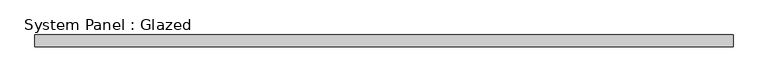
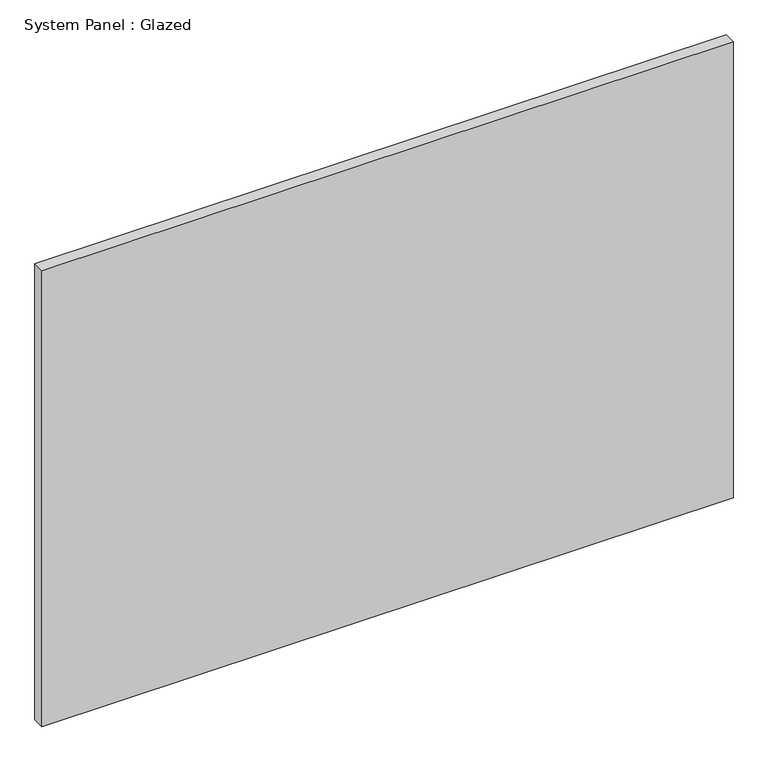
"""IFC4 building model written with IfcOpenShell, lengths in millimetres: plate geometry, System Panel : Glazed."""

import ifcopenshell
import ifcopenshell.guid

model = None  # the IFC model being written
_history = None  # IfcOwnerHistory: only IFC2X3 demands one
_inside = {}  # id of a spatial element -> (the spatial element, [elements in it])
_under = {}  # id of a project, library or spatial element -> (it, [spatial elements below it])
_declared = {}  # id of a project -> (the project, [libraries it declares])
_typed = {}  # id of a type object -> (the type object, [elements of that type])
_made_of = {}  # id of a material, layer set ... -> (it, [elements and type objects made of it])


def new_model(schema):
    """Start an empty IFC model of exactly this schema.

    Asked for "IFC4X3", IfcOpenShell would pick the latest addendum, in which some entities
    have other attributes; the version numbers below select the first issue.
    IFC2X3 requires an IfcOwnerHistory on every rooted entity: one is made here for all.
    """
    global model, _history
    if schema == "IFC4X3":
        model = ifcopenshell.file(schema_version=(4, 3, 0, 0))
    else:
        model = ifcopenshell.file(schema=schema)
    _inside.clear()
    _under.clear()
    _declared.clear()
    _typed.clear()
    _made_of.clear()
    _history = None
    if model.schema == "IFC2X3":
        org = make("IfcOrganization", Name="unknown")
        user = make(
            "IfcPersonAndOrganization",
            ThePerson=make("IfcPerson", FamilyName="unknown"),
            TheOrganization=org,
        )
        app = make(
            "IfcApplication",
            ApplicationDeveloper=org,
            Version="unknown",
            ApplicationFullName="unknown",
            ApplicationIdentifier="unknown",
        )
        _history = make(
            "IfcOwnerHistory",
            OwningUser=user,
            OwningApplication=app,
            ChangeAction="ADDED",
            CreationDate=0,
        )
    return model


def make(cls, **values):
    """One entity of the class cls with the attributes given. An attribute that is None is left unset."""
    return model.create_entity(
        cls, **{name: value for name, value in values.items() if value is not None}
    )


def rooted(cls, **values):
    """An entity with a GlobalId (a new one), such as an element, a storey or a relation."""
    return make(cls, GlobalId=ifcopenshell.guid.new(), OwnerHistory=_history, **values)


def si_unit(unit_type, name, prefix=None):
    """IfcSIUnit, for example si_unit("LENGTHUNIT", "METRE", prefix="MILLI")."""
    return make("IfcSIUnit", UnitType=unit_type, Prefix=prefix, Name=name)


def assignment(units):
    """IfcUnitAssignment: the units of a project."""
    return None if units is None else make("IfcUnitAssignment", Units=units)


def point(xyz):
    """IfcCartesianPoint."""
    return None if xyz is None else make("IfcCartesianPoint", Coordinates=xyz)


def direction(xyz):
    """IfcDirection."""
    return None if xyz is None else make("IfcDirection", DirectionRatios=xyz)


def frame(location, z_axis=None, x_axis=None):
    """IfcAxis2Placement3D, a coordinate frame: its origin and axes. An axis left out is left unset."""
    return make(
        "IfcAxis2Placement3D",
        Location=point(location),
        Axis=direction(z_axis),
        RefDirection=direction(x_axis),
    )


def origin():
    """The frame at (0, 0, 0) with its axes left unset."""
    return frame((0.0, 0.0, 0.0))


def origin_with_axes():
    """The frame at (0, 0, 0) with the z axis (0, 0, 1) and the x axis (1, 0, 0) written out."""
    return frame((0.0, 0.0, 0.0), z_axis=(0.0, 0.0, 1.0), x_axis=(1.0, 0.0, 0.0))


def place(relative_to, where):
    """IfcLocalPlacement: puts the frame where relative to a parent placement (None: the world)."""
    return make(
        "IfcLocalPlacement", PlacementRelTo=relative_to, RelativePlacement=where
    )


def context(
    kind, dimensions, precision=None, world=None, true_north=None, identifier=None
):
    """IfcGeometricRepresentationContext, for example the 3D "Model" context."""
    return make(
        "IfcGeometricRepresentationContext",
        ContextIdentifier=identifier,
        ContextType=kind,
        CoordinateSpaceDimension=dimensions,
        Precision=precision,
        WorldCoordinateSystem=world,
        TrueNorth=true_north,
    )


def project(units=None, contexts=None):
    """IfcProject with its units and contexts."""
    return rooted(
        "IfcProject",
        Name="project",
        RepresentationContexts=contexts,
        UnitsInContext=assignment(units),
    )


def spatial(cls, under=None, at=None, **own):
    """A site, building, storey or space (cls), placed at a placement, below another one or the project."""
    s = rooted(cls, ObjectPlacement=at, **own)
    if under is not None:
        _under.setdefault(under.id(), (under, []))[1].append(s)
    return s


def polyline(points):
    """IfcPolyline through the points."""
    return make("IfcPolyline", Points=[point(p) for p in points])


def outline(outer, holes=None, kind="AREA"):
    """IfcArbitraryClosedProfileDef: a profile drawn as a closed curve; with holes, ...WithVoids."""
    if holes is None:
        return make("IfcArbitraryClosedProfileDef", ProfileType=kind, OuterCurve=outer)
    return make(
        "IfcArbitraryProfileDefWithVoids",
        ProfileType=kind,
        OuterCurve=outer,
        InnerCurves=holes,
    )


def extrude(swept, where, along, depth):
    """IfcExtrudedAreaSolid: the profile swept, set in the frame where, extruded along a direction by depth."""
    return make(
        "IfcExtrudedAreaSolid",
        SweptArea=swept,
        Position=where,
        ExtrudedDirection=direction(along),
        Depth=depth,
    )


def shape(context_of_items, identifier, shape_type, items):
    """IfcShapeRepresentation: the items that make up one representation, for example the "Body"."""
    return make(
        "IfcShapeRepresentation",
        ContextOfItems=context_of_items,
        RepresentationIdentifier=identifier,
        RepresentationType=shape_type,
        Items=items,
    )


def source(mapping_origin, context_of_items, identifier, shape_type, items):
    """IfcRepresentationMap: a shape defined once, which mapped items show again and again."""
    return make(
        "IfcRepresentationMap",
        MappingOrigin=mapping_origin,
        MappedRepresentation=shape(context_of_items, identifier, shape_type, items),
    )


def transform(
    local_origin,
    x_axis=None,
    y_axis=None,
    z_axis=None,
    scale=None,
    scale2=None,
    scale3=None,
    uniform=True,
):
    """IfcCartesianTransformationOperator3D, or its non-uniform kind. x_axis, y_axis, z_axis: its Axis1, 2, 3."""
    if uniform:
        return make(
            "IfcCartesianTransformationOperator3D",
            Axis1=direction(x_axis),
            Axis2=direction(y_axis),
            LocalOrigin=point(local_origin),
            Scale=scale,
            Axis3=direction(z_axis),
        )
    return make(
        "IfcCartesianTransformationOperator3DnonUniform",
        Axis1=direction(x_axis),
        Axis2=direction(y_axis),
        LocalOrigin=point(local_origin),
        Scale=scale,
        Axis3=direction(z_axis),
        Scale2=scale2,
        Scale3=scale3,
    )


def mapped(mapping_source, mapping_target):
    """IfcMappedItem: shows the shape of a source again, moved by a transform."""
    return make(
        "IfcMappedItem", MappingSource=mapping_source, MappingTarget=mapping_target
    )


def made_of(thing, what):
    """Note that an element or type object is made of a material, layer set ...; save() writes the relation."""
    if what is not None:
        _made_of.setdefault(what.id(), (what, []))[1].append(thing)
    return thing


def element(
    cls,
    number,
    at=None,
    inside=None,
    cuts=None,
    type_object=None,
    material=None,
    context=None,
    identifier="Body",
    shape_type=None,
    held_by="IfcProductDefinitionShape",
    body=None,
    shapes=None,
    **own,
):
    """One element of the class cls, such as IfcWall. Its Tag is "e" and its number.

    at: its placement. inside: the storey or other place that contains it. cuts: it is an
    opening in that element (IfcRelVoidsElement). A single representation is given by context,
    identifier, shape_type and body (its items); several are given by shapes. held_by: the class
    of the entity that holds the representations. save() writes the other relations.
    """
    e = rooted(cls, Tag="e%d" % number, ObjectPlacement=at, **own)
    if body is not None:
        shapes = [shape(context, identifier, shape_type, body)]
    if shapes is not None:
        e.Representation = make(held_by, Representations=shapes)
    if inside is not None:
        _inside.setdefault(inside.id(), (inside, []))[1].append(e)
    if cuts is not None:
        rooted(
            "IfcRelVoidsElement", RelatingBuildingElement=cuts, RelatedOpeningElement=e
        )
    if type_object is not None:
        _typed.setdefault(type_object.id(), (type_object, []))[1].append(e)
    return made_of(e, material)


def aggregate(whole, parts):
    """IfcRelAggregates: a whole, such as a stair, and the parts it consists of."""
    return rooted("IfcRelAggregates", RelatingObject=whole, RelatedObjects=parts)


def save(model, path):
    """Write the relations noted so far, then the file.

    IfcRelAggregates (storeys below a building ...), IfcRelContainedInSpatialStructure (elements
    in a storey), IfcRelDefinesByType, IfcRelAssociatesMaterial and IfcRelDeclares: one each for
    every whole, place, type object, material and project.
    """
    for whole, parts in _under.values():
        aggregate(whole, parts)
    for where, things in _inside.values():
        rooted(
            "IfcRelContainedInSpatialStructure",
            RelatedElements=things,
            RelatingStructure=where,
        )
    for kind, things in _typed.values():
        rooted("IfcRelDefinesByType", RelatedObjects=things, RelatingType=kind)
    for what, things in _made_of.values():
        rooted("IfcRelAssociatesMaterial", RelatedObjects=things, RelatingMaterial=what)
    for by, libraries in _declared.values():
        rooted("IfcRelDeclares", RelatingContext=by, RelatedDefinitions=libraries)
    model.write(path)


def system_panel_glazed_29ddf511(model_context):
    return source(origin(), model_context, "Body", "SweptSolid", [
        extrude(outline(polyline([(734.9999999, 24.5), (-734.9999999, 24.5), (-734.9999999, 49.5), (734.9999999, 49.5), (734.9999999, 24.5)])), origin_with_axes(), (0.0, 0.0, 1.0), 1025.0),
    ])


if __name__ == "__main__":
    model = new_model("IFC4")
    model_context = context("Model", 3, world=origin())
    ifc_project = project(units=[si_unit("LENGTHUNIT", "METRE", prefix="MILLI")], contexts=[model_context])
    site = spatial("IfcSite", under=ifc_project)
    building = spatial("IfcBuilding", under=site)
    placement = place(None, origin())
    system_panel_glazed_shape = system_panel_glazed_29ddf511(model_context)
    element("IfcPlate", 1, ObjectType="System Panel : Glazed", at=placement, inside=building, context=model_context, shape_type="MappedRepresentation", body=[
        mapped(system_panel_glazed_shape, transform((0.0, 0.0, 0.0), x_axis=(1.0, 0.0, 0.0), y_axis=(0.0, 1.0, 0.0), z_axis=(0.0, 0.0, 1.0))),
    ])
    save(model, "model.ifc")
